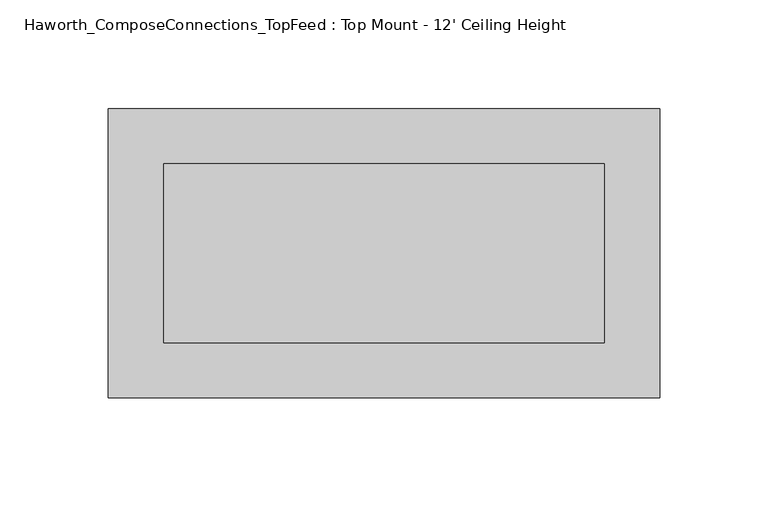
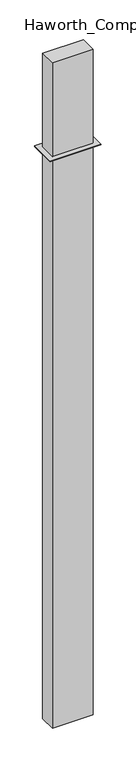
"""IFC4 building model written with IfcOpenShell, lengths in millimetres: furniture geometry, Haworth_ComposeConnections_TopFeed : Top Mount - 12' Ceiling Height."""

from ifc_helpers import new_model, si_unit, frame, origin, place, context, project, spatial, polyline, outline, extrude, source, transform, mapped, element, save


def haworth_composeconnections_topfeed_top_mount_12_ceiling_4ecfd0bb(model_context):
    return source(origin(), model_context, "Body", "SweptSolid", [
        extrude(outline(polyline([(-88.9, 66.675), (165.1, 66.675), (165.1, -66.675), (-88.9, -66.675), (-88.9, 66.675)])), frame((0.0, 0.0, 3654.425), z_axis=(0.0, 0.0, 1.0), x_axis=(1.0, 0.0, 0.0)), (0.0, 0.0, 1.0), 3.175),
        extrude(outline(polyline([(139.7, 41.275), (139.7, -41.275), (-63.5, -41.275), (-63.5, 41.275), (139.7, 41.275)])), frame((0.0, 0.0, 647.7), z_axis=(0.0, 0.0, 1.0), x_axis=(1.0, 0.0, 0.0)), (0.0, 0.0, 1.0), 3505.2),
    ])


if __name__ == "__main__":
    model = new_model("IFC4")
    model_context = context("Model", 3, world=origin())
    ifc_project = project(units=[si_unit("LENGTHUNIT", "METRE", prefix="MILLI")], contexts=[model_context])
    site = spatial("IfcSite", under=ifc_project)
    building = spatial("IfcBuilding", under=site)
    placement = place(None, origin())
    haworth_composeconnections_topfeed_top_mount_12_ceiling_shape = haworth_composeconnections_topfeed_top_mount_12_ceiling_4ecfd0bb(model_context)
    element("IfcFurniture", 1, ObjectType="Haworth_ComposeConnections_TopFeed : Top Mount - 12' Ceiling Height", at=placement, inside=building, context=model_context, shape_type="MappedRepresentation", body=[
        mapped(haworth_composeconnections_topfeed_top_mount_12_ceiling_shape, transform((0.0, 0.0, 0.0), x_axis=(1.0, 0.0, 0.0), y_axis=(0.0, 1.0, 0.0), z_axis=(0.0, 0.0, 1.0))),
    ])
    save(model, "model.ifc")
